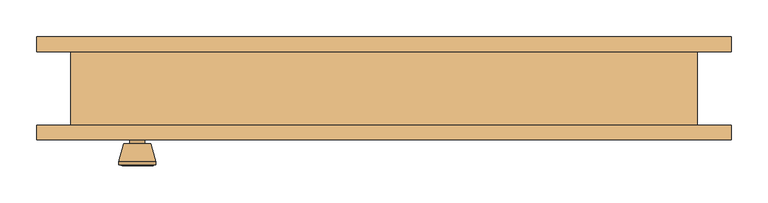
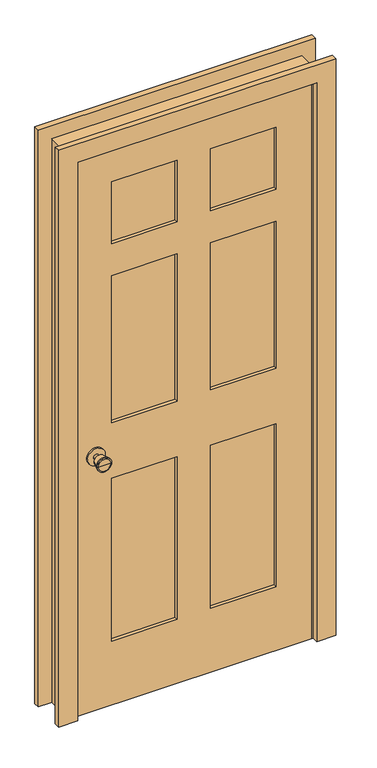
"""IFC4 building model written with IfcOpenShell, lengths in millimetres: door geometry."""

from ifc_helpers import new_model, si_unit, point, frame, frame_2d, origin, place, context, project, spatial, polyline, circle_curve, trimmed, segment, composite_curve, outline, extrude, faceted_brep, source, transform, mapped, element, save
from ifc_brep_helpers import plane_surface, cylinder_surface, revolved_surface, advanced_brep


def door_401b3c4f(model_context):
    return source(origin(), model_context, "Body", "SolidModel", [
        advanced_brep(
        [(-335.0, -5.825, 914.4), (-345.0, -5.825, 914.4), (-325.0, -5.825, 914.4), (-314.5241324, 43.175, 914.4), (-355.4758676, 43.175, 914.4), (-335.0, 43.175, 914.4), (-310.0, 41.3471319, 914.4), (-360.0, 41.3471319, 914.4), (-310.0, 37.8834537, 914.4), (-360.0, 37.8834537, 914.4), (-316.363764, 13.175, 914.4), (-353.636236, 13.175, 914.4), (-325.0, 13.175, 914.4), (-345.0, 13.175, 914.4)],
        [
            (0, 1),
            (1, 2, circle_curve(frame((-335.0, -5.825, 914.4), z_axis=(0.0, -1.0, 0.0), x_axis=(-1.0, 0.0, 0.0)), 10.0)),
            (2, 0),
            (2, 1, circle_curve(frame((-335.0, -5.825, 914.4), z_axis=(0.0, -1.0, 0.0), x_axis=(-1.0, 0.0, 0.0)), 10.0)),
            (3, 4, circle_curve(frame((-335.0, 43.175, 914.4), z_axis=(0.0, 1.0, 0.0), x_axis=(-1.0, 0.0, 0.0)), 20.4758676)),
            (4, 5),
            (5, 3),
            (4, 3, circle_curve(frame((-335.0, 43.175, 914.4), z_axis=(0.0, 1.0, 0.0), x_axis=(-1.0, 0.0, 0.0)), 20.4758676)),
            (6, 7, circle_curve(frame((-335.0, 41.3471319, 914.4), z_axis=(0.0, 1.0, 0.0), x_axis=(-1.0, 0.0, 0.0)), 25.0)),
            (7, 4),
            (3, 6),
            (7, 6, circle_curve(frame((-335.0, 41.3471319, 914.4), z_axis=(0.0, 1.0, 0.0), x_axis=(-1.0, 0.0, 0.0)), 25.0)),
            (8, 9, circle_curve(frame((-335.0, 37.8834537, 914.4), z_axis=(0.0, 1.0, 0.0), x_axis=(-1.0, 0.0, 0.0)), 25.0)),
            (9, 7),
            (6, 8),
            (9, 8, circle_curve(frame((-335.0, 37.8834537, 914.4), z_axis=(0.0, 1.0, 0.0), x_axis=(-1.0, 0.0, 0.0)), 25.0)),
            (10, 11, circle_curve(frame((-335.0, 13.175, 914.4), z_axis=(0.0, 1.0, 0.0), x_axis=(-1.0, 0.0, 0.0)), 18.636236)),
            (11, 9),
            (8, 10),
            (11, 10, circle_curve(frame((-335.0, 13.175, 914.4), z_axis=(0.0, 1.0, 0.0), x_axis=(-1.0, 0.0, 0.0)), 18.636236)),
            (12, 13, circle_curve(frame((-335.0, 13.175, 914.4), z_axis=(0.0, 1.0, 0.0), x_axis=(-1.0, 0.0, 0.0)), 10.0)),
            (13, 11),
            (10, 12),
            (13, 12, circle_curve(frame((-335.0, 13.175, 914.4), z_axis=(0.0, 1.0, 0.0), x_axis=(-1.0, 0.0, 0.0)), 10.0)),
            (1, 13),
            (12, 2),
        ],
        [
            plane_surface(frame((-335.0, -5.825, 914.4), z_axis=(0.0, -1.0, 0.0), x_axis=(-1.0, 0.0, 0.0))),
            plane_surface(frame((-335.0, 43.175, 914.4), z_axis=(0.0, 1.0, 0.0), x_axis=(-1.0, 0.0, 0.0))),
            revolved_surface(polyline([(-355.4758676, 43.175, 914.4), (-360.0, 41.3471319, 914.4)]), (-335.0, -5.825, 914.4), (0.0, -1.0, 0.0)),
            cylinder_surface(frame((-335.0, -5.825, 914.4), z_axis=(0.0, -1.0, 0.0), x_axis=(-1.0, 0.0, 0.0)), 25.0),
            revolved_surface(polyline([(-360.0, 37.8834537, 914.4), (-353.636236, 13.175, 914.4)]), (-335.0, -5.825, 914.4), (0.0, -1.0, 0.0)),
            plane_surface(frame((-335.0, 13.175, 914.4), z_axis=(0.0, -1.0, 0.0), x_axis=(-1.0, 0.0, 0.0))),
            cylinder_surface(frame((-335.0, -5.825, 914.4), z_axis=(0.0, -1.0, 0.0), x_axis=(-1.0, 0.0, 0.0)), 10.0),
        ],
        [
            (0, [[1, 2, 3]]),
            (0, [[-3, 4, -1]]),
            (1, [[5, 6, 7]]),
            (1, [[8, -7, -6]]),
            (2, [[9, 10, -5, 11]]),
            (2, [[12, -11, -8, -10]]),
            (3, [[13, 14, -9, 15]]),
            (3, [[16, -15, -12, -14]]),
            (4, [[17, 18, -13, 19]]),
            (4, [[20, -19, -16, -18]]),
            (5, [[21, 22, -17, 23]]),
            (5, [[24, -23, -20, -22]]),
            (6, [[-2, 25, -21, 26]]),
            (6, [[-4, -26, -24, -25]]),
        ],
    ),
        extrude(outline(composite_curve([segment(trimmed(circle_curve(frame_2d((914.4, -335.0)), 30.0), [point((914.4, -365.0))], [point((914.4, -305.0))], False, "CARTESIAN"), True, "CONTINUOUS"), segment(trimmed(circle_curve(frame_2d((914.4, -335.0)), 30.0), [point((914.4, -305.0))], [point((914.4, -365.0))], False, "CARTESIAN"), True, "CONTINUOUS")], self_intersect=False)), frame((0.0, -11.825, 0.0), z_axis=(0.0, 1.0, 0.0), x_axis=(0.0, 0.0, 1.0)), (0.0, 0.0, 1.0), 6.0),
        advanced_brep(
        [(-335.0, -52.825, 914.4), (-325.0, -52.825, 914.4), (-345.0, -52.825, 914.4), (-314.5241324, -101.825, 914.4), (-335.0, -101.825, 914.4), (-355.4758676, -101.825, 914.4), (-310.0, -99.9971319, 914.4), (-360.0, -99.9971319, 914.4), (-310.0, -96.5334537, 914.4), (-360.0, -96.5334537, 914.4), (-316.363764, -71.825, 914.4), (-353.636236, -71.825, 914.4), (-325.0, -71.825, 914.4), (-345.0, -71.825, 914.4)],
        [
            (0, 1),
            (1, 2, circle_curve(frame((-335.0, -52.825, 914.4), z_axis=(0.0, 1.0, 0.0), x_axis=(-1.0, 0.0, 0.0)), 10.0)),
            (2, 0),
            (2, 1, circle_curve(frame((-335.0, -52.825, 914.4), z_axis=(0.0, 1.0, 0.0), x_axis=(-1.0, 0.0, 0.0)), 10.0)),
            (3, 4),
            (4, 5),
            (5, 3, circle_curve(frame((-335.0, -101.825, 914.4), z_axis=(0.0, -1.0, 0.0), x_axis=(-1.0, 0.0, 0.0)), 20.4758676)),
            (3, 5, circle_curve(frame((-335.0, -101.825, 914.4), z_axis=(0.0, -1.0, 0.0), x_axis=(-1.0, 0.0, 0.0)), 20.4758676)),
            (6, 3),
            (5, 7),
            (7, 6, circle_curve(frame((-335.0, -99.9971319, 914.4), z_axis=(0.0, -1.0, 0.0), x_axis=(-1.0, 0.0, 0.0)), 25.0)),
            (6, 7, circle_curve(frame((-335.0, -99.9971319, 914.4), z_axis=(0.0, -1.0, 0.0), x_axis=(-1.0, 0.0, 0.0)), 25.0)),
            (8, 6),
            (7, 9),
            (9, 8, circle_curve(frame((-335.0, -96.5334537, 914.4), z_axis=(0.0, -1.0, 0.0), x_axis=(-1.0, 0.0, 0.0)), 25.0)),
            (8, 9, circle_curve(frame((-335.0, -96.5334537, 914.4), z_axis=(0.0, -1.0, 0.0), x_axis=(-1.0, 0.0, 0.0)), 25.0)),
            (10, 8),
            (9, 11),
            (11, 10, circle_curve(frame((-335.0, -71.825, 914.4), z_axis=(0.0, -1.0, 0.0), x_axis=(-1.0, 0.0, 0.0)), 18.636236)),
            (10, 11, circle_curve(frame((-335.0, -71.825, 914.4), z_axis=(0.0, -1.0, 0.0), x_axis=(-1.0, 0.0, 0.0)), 18.636236)),
            (12, 10),
            (11, 13),
            (13, 12, circle_curve(frame((-335.0, -71.825, 914.4), z_axis=(0.0, -1.0, 0.0), x_axis=(-1.0, 0.0, 0.0)), 10.0)),
            (12, 13, circle_curve(frame((-335.0, -71.825, 914.4), z_axis=(0.0, -1.0, 0.0), x_axis=(-1.0, 0.0, 0.0)), 10.0)),
            (1, 12),
            (13, 2),
        ],
        [
            plane_surface(frame((-335.0, -52.825, 914.4), z_axis=(0.0, 1.0, 0.0), x_axis=(-1.0, 0.0, 0.0))),
            plane_surface(frame((-335.0, -101.825, 914.4), z_axis=(0.0, -1.0, 0.0), x_axis=(-1.0, 0.0, 0.0))),
            revolved_surface(polyline([(-355.4758676, -101.825, 914.4), (-360.0, -99.9971319, 914.4)]), (-335.0, -52.825, 914.4), (0.0, 1.0, 0.0)),
            cylinder_surface(frame((-335.0, -52.825, 914.4), z_axis=(0.0, 1.0, 0.0), x_axis=(-1.0, 0.0, 0.0)), 25.0),
            revolved_surface(polyline([(-360.0, -96.5334537, 914.4), (-353.636236, -71.825, 914.4)]), (-335.0, -52.825, 914.4), (0.0, 1.0, 0.0)),
            plane_surface(frame((-335.0, -71.825, 914.4), z_axis=(0.0, 1.0, 0.0), x_axis=(-1.0, 0.0, 0.0))),
            cylinder_surface(frame((-335.0, -52.825, 914.4), z_axis=(0.0, 1.0, 0.0), x_axis=(-1.0, 0.0, 0.0)), 10.0),
        ],
        [
            (0, [[1, 2, 3]]),
            (0, [[-3, 4, -1]]),
            (1, [[5, 6, 7]]),
            (1, [[-6, -5, 8]]),
            (2, [[9, -7, 10, 11]]),
            (2, [[-10, -8, -9, 12]]),
            (3, [[13, -11, 14, 15]]),
            (3, [[-14, -12, -13, 16]]),
            (4, [[17, -15, 18, 19]]),
            (4, [[-18, -16, -17, 20]]),
            (5, [[21, -19, 22, 23]]),
            (5, [[-22, -20, -21, 24]]),
            (6, [[25, -23, 26, -2]]),
            (6, [[-26, -24, -25, -4]]),
        ],
    ),
        extrude(outline(composite_curve([segment(trimmed(circle_curve(frame_2d((914.4, -335.0)), 30.0), [point((914.4, -365.0))], [point((914.4, -305.0))], False, "CARTESIAN"), True, "CONTINUOUS"), segment(trimmed(circle_curve(frame_2d((914.4, -335.0)), 30.0), [point((914.4, -305.0))], [point((914.4, -365.0))], False, "CARTESIAN"), True, "CONTINUOUS")], self_intersect=False)), frame((0.0, -52.825, 0.0), z_axis=(0.0, 1.0, 0.0), x_axis=(0.0, 0.0, 1.0)), (0.0, 0.0, 1.0), 6.0),
        extrude(outline(polyline([(280.0, -23.4916667), (280.0, -35.1583333), (57.5, -35.1583333), (57.5, -23.4916667), (280.0, -23.4916667)])), frame((0.0, 0.0, 1657.5), z_axis=(0.0, 0.0, 1.0), x_axis=(1.0, 0.0, 0.0)), (0.0, 0.0, 1.0), 222.5),
        extrude(outline(polyline([(280.0, -23.4916667), (280.0, -35.1583333), (57.5, -35.1583333), (57.5, -23.4916667), (280.0, -23.4916667)])), frame((0.0, 0.0, 1014.4), z_axis=(0.0, 0.0, 1.0), x_axis=(1.0, 0.0, 0.0)), (0.0, 0.0, 1.0), 528.1),
        extrude(outline(polyline([(-57.5, -23.4916667), (-57.5, -35.1583333), (-280.0, -35.1583333), (-280.0, -23.4916667), (-57.5, -23.4916667)])), frame((0.0, 0.0, 1014.4), z_axis=(0.0, 0.0, 1.0), x_axis=(1.0, 0.0, 0.0)), (0.0, 0.0, 1.0), 528.1),
        extrude(outline(polyline([(-57.5, -23.4916667), (-57.5, -35.1583333), (-280.0, -35.1583333), (-280.0, -23.4916667), (-57.5, -23.4916667)])), frame((0.0, 0.0, 1657.5), z_axis=(0.0, 0.0, 1.0), x_axis=(1.0, 0.0, 0.0)), (0.0, 0.0, 1.0), 222.5),
        extrude(outline(polyline([(280.0, -23.4916667), (280.0, -35.1583333), (57.5, -35.1583333), (57.5, -23.4916667), (280.0, -23.4916667)])), frame((0.0, 0.0, 230.0), z_axis=(0.0, 0.0, 1.0), x_axis=(1.0, 0.0, 0.0)), (0.0, 0.0, 1.0), 584.4),
        extrude(outline(polyline([(-57.5, -23.4916667), (-57.5, -35.1583333), (-280.0, -35.1583333), (-280.0, -23.4916667), (-57.5, -23.4916667)])), frame((0.0, 0.0, 230.0), z_axis=(0.0, 0.0, 1.0), x_axis=(1.0, 0.0, 0.0)), (0.0, 0.0, 1.0), 584.4),
        extrude(outline(polyline([(2000.0, -400.0), (0.0, -400.0), (0.0, 400.0), (2000.0, 400.0), (2000.0, -400.0)]), holes=[polyline([(1880.0, 57.5), (1880.0, 280.0), (1657.5, 280.0), (1657.5, 57.5), (1880.0, 57.5)]), polyline([(1542.5, 280.0), (1014.4, 280.0), (1014.4, 57.5), (1542.5, 57.5), (1542.5, 280.0)]), polyline([(1014.4, -57.5), (1014.4, -280.0), (1542.5, -280.0), (1542.5, -57.5), (1014.4, -57.5)]), polyline([(1657.5, -280.0), (1880.0, -280.0), (1880.0, -57.5), (1657.5, -57.5), (1657.5, -280.0)]), polyline([(814.4, 57.5), (814.4, 280.0), (230.0, 280.0), (230.0, 57.5), (814.4, 57.5)]), polyline([(230.0, -57.5), (230.0, -280.0), (814.4, -280.0), (814.4, -57.5), (230.0, -57.5)])]), frame((0.0, -46.825, 0.0), z_axis=(0.0, 1.0, 0.0), x_axis=(0.0, 0.0, 1.0)), (0.0, 0.0, 1.0), 35.0),
        faceted_brep([(425.0, -46.825, 0.0), (400.0, -46.825, 0.0), (400.0, -11.825, 0.0), (387.3, -11.825, 0.0), (387.3, 23.1, 0.0), (400.0, 23.1, 0.0), (400.0, 53.175, 0.0), (425.0, 53.175, 0.0), (425.0, 53.175, 2025.0), (425.0, -46.825, 2025.0), (400.0, 53.175, 2000.0), (-400.0, 53.175, 2000.0), (-400.0, 53.175, 0.0), (-425.0, 53.175, 0.0), (-425.0, 53.175, 2025.0), (400.0, 23.1, 2000.0), (387.3, 23.1, 1987.3), (-387.3, 23.1, 1987.3), (-387.3, 23.1, 0.0), (-400.0, 23.1, 0.0), (-400.0, 23.1, 2000.0), (387.3, -11.825, 1987.3), (400.0, -11.825, 2000.0), (-400.0, -11.825, 2000.0), (-400.0, -11.825, 0.0), (-387.3, -11.825, 0.0), (-387.3, -11.825, 1987.3), (400.0, -46.825, 2000.0), (-425.0, -46.825, 2025.0), (-425.0, -46.825, 0.0), (-400.0, -46.825, 0.0), (-400.0, -46.825, 2000.0)], [[[0, 1, 2, 3, 4, 5, 6, 7]], [[7, 8, 9, 0]], [[6, 10, 11, 12, 13, 14, 8, 7]], [[5, 15, 10, 6]], [[4, 16, 17, 18, 19, 20, 15, 5]], [[3, 21, 16, 4]], [[2, 22, 23, 24, 25, 26, 21, 3]], [[1, 27, 22, 2]], [[0, 9, 28, 29, 30, 31, 27, 1]], [[8, 14, 28, 9]], [[15, 20, 11, 10]], [[21, 26, 17, 16]], [[27, 31, 23, 22]], [[29, 13, 12, 19, 18, 25, 24, 30]], [[14, 13, 29, 28]], [[20, 19, 12, 11]], [[26, 25, 18, 17]], [[31, 30, 24, 23]]]),
        extrude(outline(polyline([(0.0, 471.35), (2071.35, 471.35), (2071.35, -471.35), (0.0, -471.35), (0.0, -406.35), (2006.35, -406.35), (2006.35, 406.35), (0.0, 406.35), (0.0, 471.35)])), frame((0.0, 53.175, 0.0), z_axis=(0.0, 1.0, 0.0), x_axis=(0.0, 0.0, 1.0)), (0.0, 0.0, 1.0), 20.0),
        extrude(outline(polyline([(0.0, 471.35), (2071.35, 471.35), (2071.35, -471.35), (0.0, -471.35), (0.0, -406.35), (2006.35, -406.35), (2006.35, 406.35), (0.0, 406.35), (0.0, 471.35)])), frame((0.0, -66.825, 0.0), z_axis=(0.0, 1.0, 0.0), x_axis=(0.0, 0.0, 1.0)), (0.0, 0.0, 1.0), 20.0),
    ])


if __name__ == "__main__":
    model = new_model("IFC4")
    model_context = context("Model", 3, world=origin())
    ifc_project = project(units=[si_unit("LENGTHUNIT", "METRE", prefix="MILLI")], contexts=[model_context])
    site = spatial("IfcSite", under=ifc_project)
    building = spatial("IfcBuilding", under=site)
    placement = place(None, origin())
    door_shape = door_401b3c4f(model_context)
    element("IfcDoor", 1, at=placement, inside=building, context=model_context, shape_type="MappedRepresentation", body=[
        mapped(door_shape, transform((0.0, 0.0, 0.0), x_axis=(1.0, 0.0, 0.0), y_axis=(0.0, 1.0, 0.0), z_axis=(0.0, 0.0, 1.0))),
    ])
    save(model, "model.ifc")
